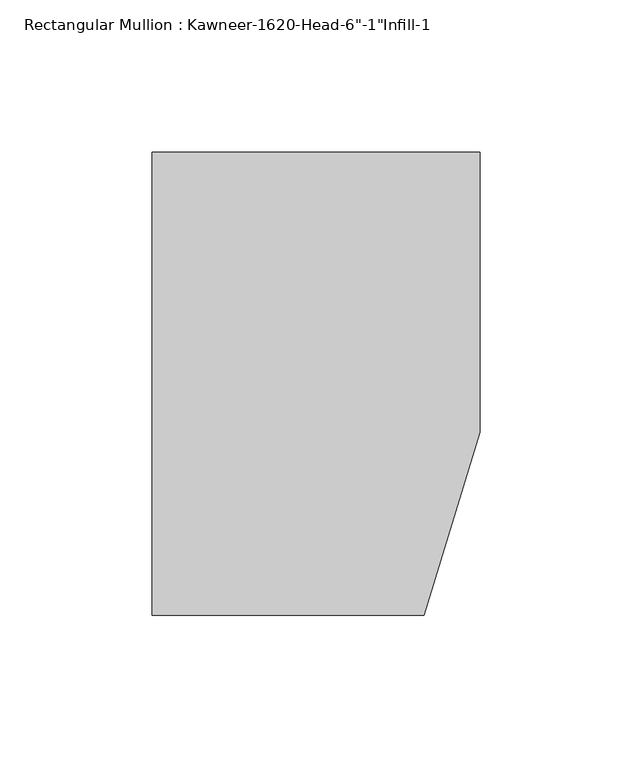
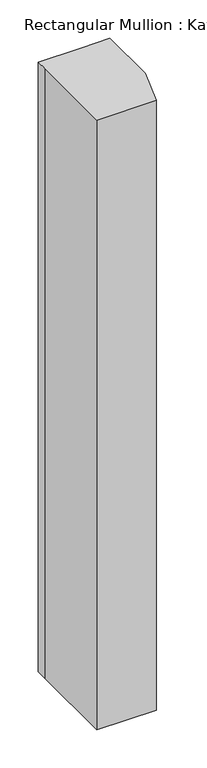
"""IFC4 building model written with IfcOpenShell, lengths in millimetres: member geometry."""

from ifc_helpers import new_model, si_unit, frame, origin, place, context, project, spatial, polyline, outline, extrude, source, transform, mapped, element, save


def member_e0b27ced(model_context):
    return source(origin(), model_context, "Body", "SweptSolid", [
        extrude(outline(polyline([(-107.95, 19.9095466), (-107.95, 38.1), (-44.1519366, 38.1), (0.0, 38.1), (0.0, -53.975), (-18.3538271, -114.3), (-107.95, -114.3), (-107.95, 19.9095466)])), frame((0.0, 0.0, -971.55), z_axis=(0.0, 0.0, 1.0), x_axis=(1.0, 0.0, 0.0)), (0.0, 0.0, 1.0), 971.55),
    ])


if __name__ == "__main__":
    model = new_model("IFC4")
    model_context = context("Model", 3, world=origin())
    ifc_project = project(units=[si_unit("LENGTHUNIT", "METRE", prefix="MILLI")], contexts=[model_context])
    site = spatial("IfcSite", under=ifc_project)
    building = spatial("IfcBuilding", under=site)
    placement = place(None, origin())
    member_shape = member_e0b27ced(model_context)
    element("IfcMember", 1, ObjectType="Rectangular Mullion : Kawneer-1620-Head-6\"-1\"Infill-1", at=placement, inside=building, context=model_context, shape_type="MappedRepresentation", body=[
        mapped(member_shape, transform((0.0, 0.0, 0.0), x_axis=(1.0, 0.0, 0.0), y_axis=(0.0, 1.0, 0.0), z_axis=(0.0, 0.0, 1.0))),
    ])
    save(model, "model.ifc")
